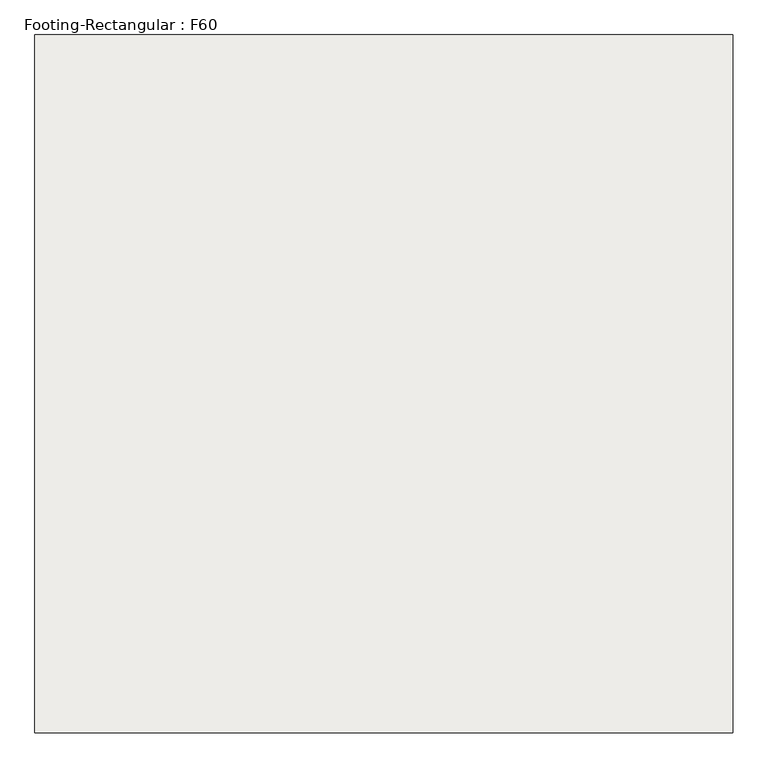
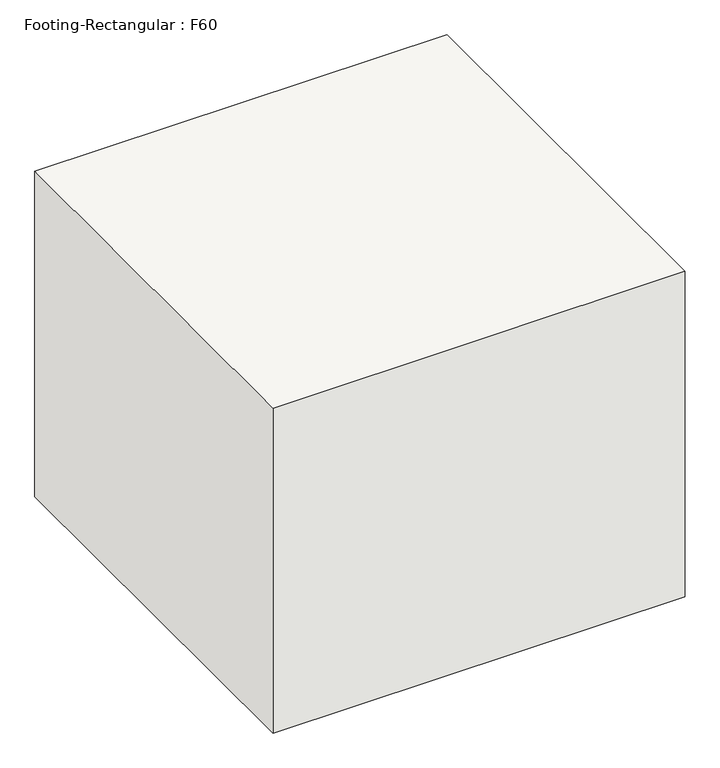
"""IFC4 building model written with IfcOpenShell, lengths in millimetres: slab geometry, Footing-Rectangular : F60."""

from ifc_helpers import new_model, si_unit, frame, origin, place, context, project, spatial, polyline, outline, extrude, source, transform, mapped, element, save


def footing_rectangular_f60_ffb5445a(model_context):
    return source(origin(), model_context, "Body", "SweptSolid", [
        extrude(outline(polyline([(914.4, 914.4), (914.4, -914.4), (-914.4, -914.4), (-914.4, 914.4), (914.4, 914.4)])), frame((0.0, 0.0, -1524.0), z_axis=(0.0, 0.0, 1.0), x_axis=(1.0, 0.0, 0.0)), (0.0, 0.0, 1.0), 1524.0),
    ])


if __name__ == "__main__":
    model = new_model("IFC4")
    model_context = context("Model", 3, world=origin())
    ifc_project = project(units=[si_unit("LENGTHUNIT", "METRE", prefix="MILLI")], contexts=[model_context])
    site = spatial("IfcSite", under=ifc_project)
    building = spatial("IfcBuilding", under=site)
    placement = place(None, origin())
    footing_rectangular_f60_shape = footing_rectangular_f60_ffb5445a(model_context)
    element("IfcSlab", 1, ObjectType="Footing-Rectangular : F60", at=placement, inside=building, context=model_context, shape_type="MappedRepresentation", body=[
        mapped(footing_rectangular_f60_shape, transform((0.0, 0.0, 0.0), x_axis=(1.0, 0.0, 0.0), y_axis=(0.0, 1.0, 0.0), z_axis=(0.0, 0.0, 1.0))),
    ])
    save(model, "model.ifc")
